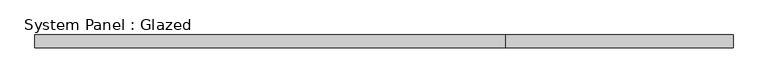
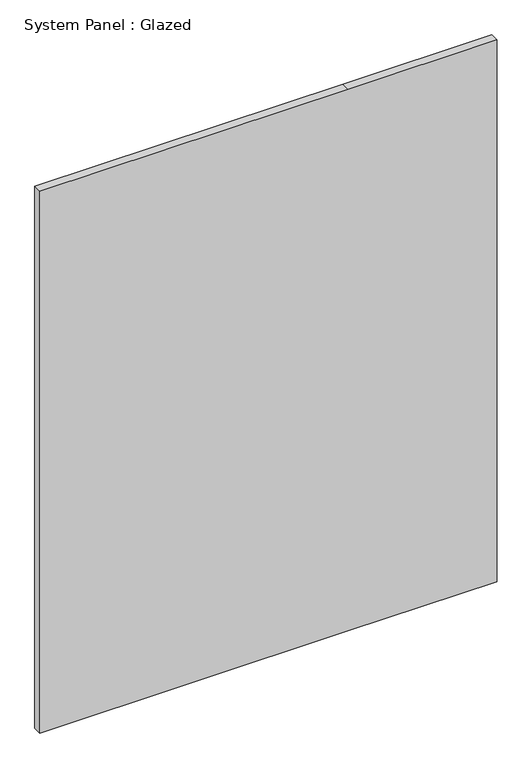
"""IFC4 building model written with IfcOpenShell, lengths in millimetres: plate geometry, System Panel : Glazed."""

from ifc_helpers import new_model, si_unit, frame, origin, place, context, project, spatial, polyline, outline, extrude, source, transform, mapped, element, save


def system_panel_glazed_43f33c58(model_context):
    return source(origin(), model_context, "Body", "SweptSolid", [
        extrude(outline(polyline([(0.0, -692.15), (0.0, 241.3), (0.0, 692.15), (1733.55, 692.15), (1733.55, 241.3), (1733.55, -692.15), (0.0, -692.15)])), frame((0.0, -44.45, 0.0), z_axis=(0.0, 1.0, 0.0), x_axis=(0.0, 0.0, 1.0)), (0.0, 0.0, 1.0), 25.4),
    ])


if __name__ == "__main__":
    model = new_model("IFC4")
    model_context = context("Model", 3, world=origin())
    ifc_project = project(units=[si_unit("LENGTHUNIT", "METRE", prefix="MILLI")], contexts=[model_context])
    site = spatial("IfcSite", under=ifc_project)
    building = spatial("IfcBuilding", under=site)
    placement = place(None, origin())
    system_panel_glazed_shape = system_panel_glazed_43f33c58(model_context)
    element("IfcPlate", 1, ObjectType="System Panel : Glazed", at=placement, inside=building, context=model_context, shape_type="MappedRepresentation", body=[
        mapped(system_panel_glazed_shape, transform((0.0, 0.0, 0.0), x_axis=(1.0, 0.0, 0.0), y_axis=(0.0, 1.0, 0.0), z_axis=(0.0, 0.0, 1.0))),
    ])
    save(model, "model.ifc")
